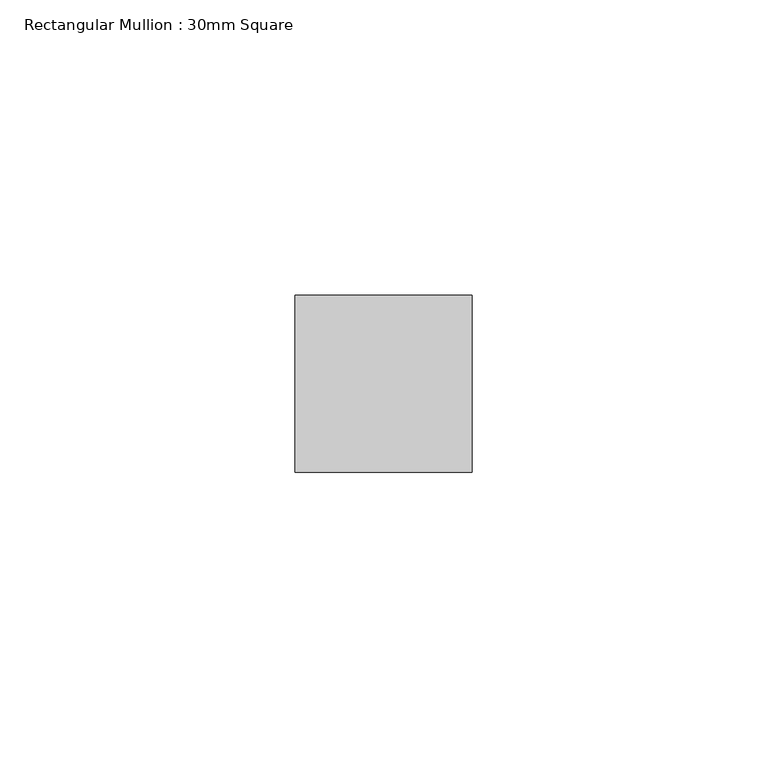
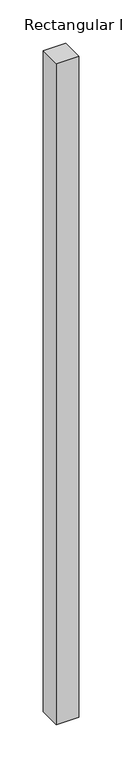
"""IFC4 building model written with IfcOpenShell, lengths in millimetres: member geometry, Rectangular Mullion : 30mm Square."""

from ifc_helpers import new_model, si_unit, frame, origin, place, context, project, spatial, polyline, outline, extrude, source, transform, mapped, element, save


def rectangular_mullion_30mm_square_878a8583(model_context):
    return source(origin(), model_context, "Body", "SweptSolid", [
        extrude(outline(polyline([(15.0, 15.0), (15.0, -15.0), (-15.0, -15.0), (-15.0, 15.0), (15.0, 15.0)])), frame((0.0, 0.0, -932.8236774), z_axis=(0.0, 0.0, 1.0), x_axis=(1.0, 0.0, 0.0)), (0.0, 0.0, 1.0), 932.8236774),
    ])


if __name__ == "__main__":
    model = new_model("IFC4")
    model_context = context("Model", 3, world=origin())
    ifc_project = project(units=[si_unit("LENGTHUNIT", "METRE", prefix="MILLI")], contexts=[model_context])
    site = spatial("IfcSite", under=ifc_project)
    building = spatial("IfcBuilding", under=site)
    placement = place(None, origin())
    rectangular_mullion_30mm_square_shape = rectangular_mullion_30mm_square_878a8583(model_context)
    element("IfcMember", 1, ObjectType="Rectangular Mullion : 30mm Square", at=placement, inside=building, context=model_context, shape_type="MappedRepresentation", body=[
        mapped(rectangular_mullion_30mm_square_shape, transform((0.0, 0.0, 0.0), x_axis=(1.0, 0.0, 0.0), y_axis=(0.0, 1.0, 0.0), z_axis=(0.0, 0.0, 1.0))),
    ])
    save(model, "model.ifc")
